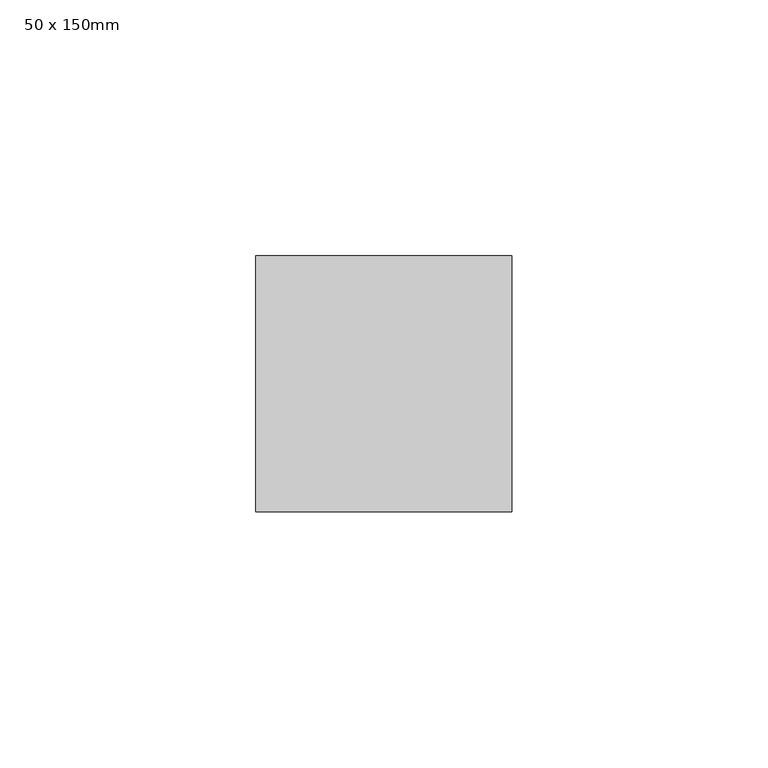
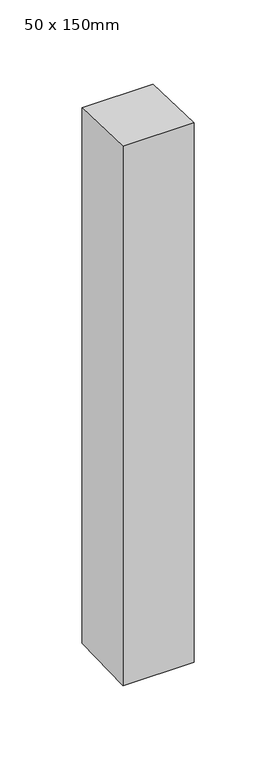
"""IFC4 building model written with IfcOpenShell, lengths in millimetres: member geometry, 50 x 150mm."""

from ifc_helpers import new_model, si_unit, frame, origin, place, context, project, spatial, polyline, outline, extrude, source, transform, mapped, element, save


def member_50_x_150mm_e921f983(model_context):
    return source(origin(), model_context, "Body", "SweptSolid", [
        extrude(outline(polyline([(-25.0, 0.7858643), (25.0, -0.7858643), (25.0, -399.2387167), (-25.0, -400.7612833), (-25.0, 0.7858643)])), frame((-25.0, 0.0, 0.0), z_axis=(1.0, 0.0, 0.0), x_axis=(0.0, 1.0, 0.0)), (0.0, 0.0, 1.0), 50.0),
    ])


if __name__ == "__main__":
    model = new_model("IFC4")
    model_context = context("Model", 3, world=origin())
    ifc_project = project(units=[si_unit("LENGTHUNIT", "METRE", prefix="MILLI")], contexts=[model_context])
    site = spatial("IfcSite", under=ifc_project)
    building = spatial("IfcBuilding", under=site)
    placement = place(None, origin())
    member_50_x_150mm_shape = member_50_x_150mm_e921f983(model_context)
    element("IfcMember", 1, ObjectType="50 x 150mm", at=placement, inside=building, context=model_context, shape_type="MappedRepresentation", body=[
        mapped(member_50_x_150mm_shape, transform((0.0, 0.0, 0.0), x_axis=(1.0, 0.0, 0.0), y_axis=(0.0, 1.0, 0.0), z_axis=(0.0, 0.0, 1.0))),
    ])
    save(model, "model.ifc")
